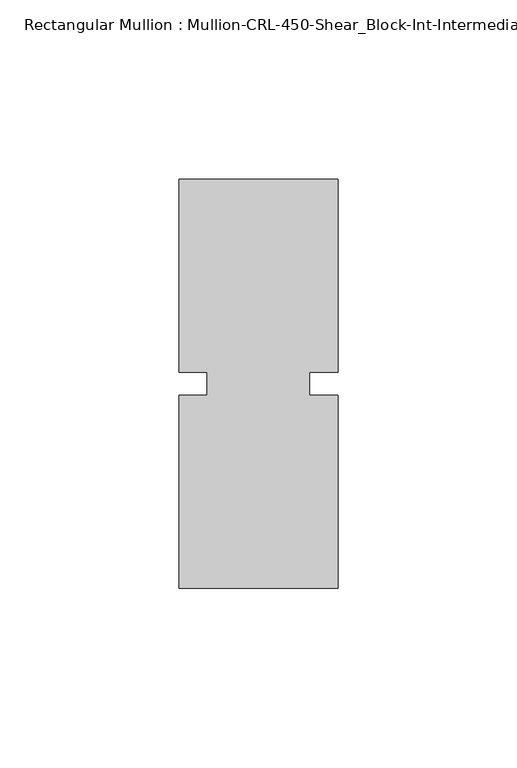
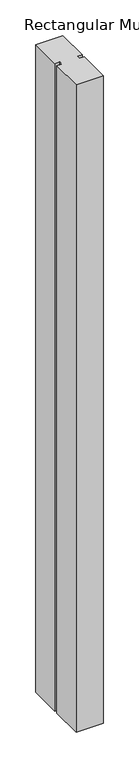
"""IFC4 building model written with IfcOpenShell, lengths in millimetres: member geometry, Rectangular Mullion : Mullion-CRL-450-Shear_Block-Int-Intermediate_Horizontal."""

from ifc_helpers import new_model, si_unit, frame, origin, place, context, project, spatial, polyline, outline, extrude, source, transform, mapped, element, save


def rectangular_mullion_mullion_crl_450_shear_block_int_6d710d73(model_context):
    return source(origin(), model_context, "Body", "SweptSolid", [
        extrude(outline(polyline([(-22.2249304, -3.175), (-14.2747305, -3.175), (-14.2747305, 3.175), (-22.2249304, 3.175), (-22.2249304, 57.15), (22.2249304, 57.15), (22.2249304, 3.175), (14.2874304, 3.175), (14.2874304, -3.175), (22.2249304, -3.175), (22.2249304, -57.15), (-22.2249304, -57.15), (-22.2249304, -3.175)])), frame((0.0, 0.0, -1113.3666667), z_axis=(0.0, 0.0, 1.0), x_axis=(1.0, 0.0, 0.0)), (0.0, 0.0, 1.0), 1113.3666667),
    ])


if __name__ == "__main__":
    model = new_model("IFC4")
    model_context = context("Model", 3, world=origin())
    ifc_project = project(units=[si_unit("LENGTHUNIT", "METRE", prefix="MILLI")], contexts=[model_context])
    site = spatial("IfcSite", under=ifc_project)
    building = spatial("IfcBuilding", under=site)
    placement = place(None, origin())
    rectangular_mullion_mullion_crl_450_shear_block_int_shape = rectangular_mullion_mullion_crl_450_shear_block_int_6d710d73(model_context)
    element("IfcMember", 1, ObjectType="Rectangular Mullion : Mullion-CRL-450-Shear_Block-Int-Intermediate_Horizontal", at=placement, inside=building, context=model_context, shape_type="MappedRepresentation", body=[
        mapped(rectangular_mullion_mullion_crl_450_shear_block_int_shape, transform((0.0, 0.0, 0.0), x_axis=(1.0, 0.0, 0.0), y_axis=(0.0, 1.0, 0.0), z_axis=(0.0, 0.0, 1.0))),
    ])
    save(model, "model.ifc")
